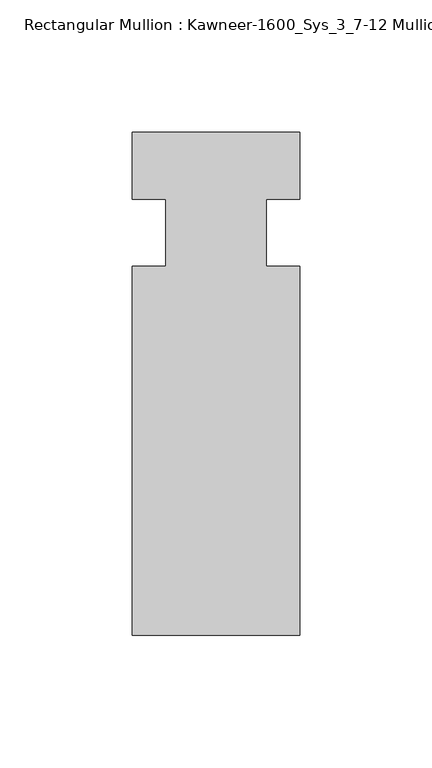
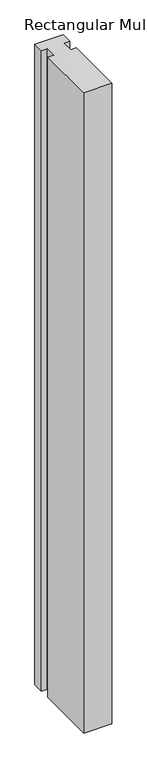
"""IFC4 building model written with IfcOpenShell, lengths in millimetres: member geometry, Rectangular Mullion : Kawneer-1600_Sys_3_7-12 Mullion_Vertical."""

from ifc_helpers import new_model, si_unit, frame, origin, place, context, project, spatial, polyline, outline, extrude, source, transform, mapped, element, save


def rectangular_mullion_kawneer_1600_sys_3_7_12_mullion_vertical_3743ab1f(model_context):
    return source(origin(), model_context, "Body", "SweptSolid", [
        extrude(outline(polyline([(36.0844027, -152.4), (-27.4155973, -152.4), (-27.4155973, -12.7), (-14.7155973, -12.7), (-14.7155973, 12.7), (-27.4155973, 12.7), (-27.4155973, 38.1), (36.0844027, 38.1), (36.0844027, 12.7), (23.3826322, 12.7), (23.3826322, -12.7), (36.0844027, -12.7), (36.0844027, -152.4)])), frame((0.0, 0.0, -1524.0), z_axis=(0.0, 0.0, 1.0), x_axis=(1.0, 0.0, 0.0)), (0.0, 0.0, 1.0), 1524.0),
    ])


if __name__ == "__main__":
    model = new_model("IFC4")
    model_context = context("Model", 3, world=origin())
    ifc_project = project(units=[si_unit("LENGTHUNIT", "METRE", prefix="MILLI")], contexts=[model_context])
    site = spatial("IfcSite", under=ifc_project)
    building = spatial("IfcBuilding", under=site)
    placement = place(None, origin())
    rectangular_mullion_kawneer_1600_sys_3_7_12_mullion_vertical_shape = rectangular_mullion_kawneer_1600_sys_3_7_12_mullion_vertical_3743ab1f(model_context)
    element("IfcMember", 1, ObjectType="Rectangular Mullion : Kawneer-1600_Sys_3_7-12 Mullion_Vertical", at=placement, inside=building, context=model_context, shape_type="MappedRepresentation", body=[
        mapped(rectangular_mullion_kawneer_1600_sys_3_7_12_mullion_vertical_shape, transform((0.0, 0.0, 0.0), x_axis=(1.0, 0.0, 0.0), y_axis=(0.0, 1.0, 0.0), z_axis=(0.0, 0.0, 1.0))),
    ])
    save(model, "model.ifc")
